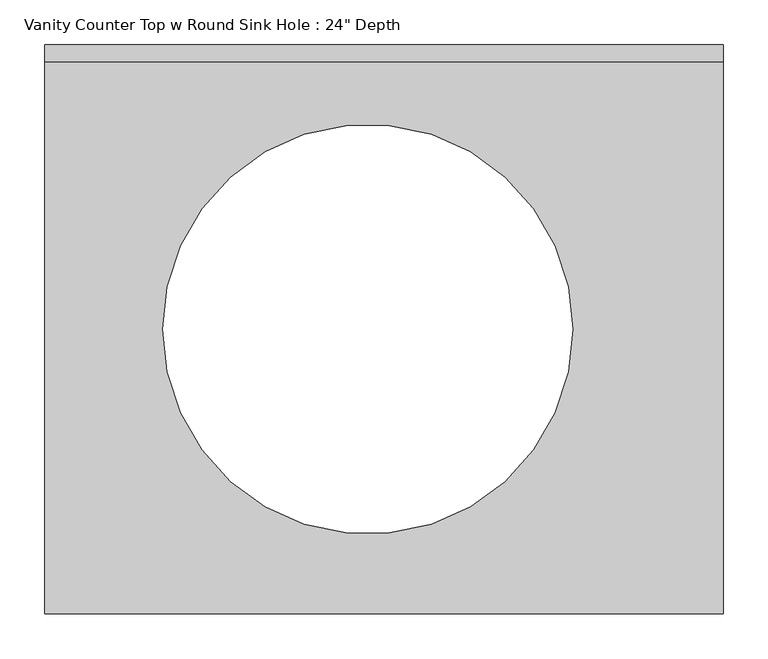
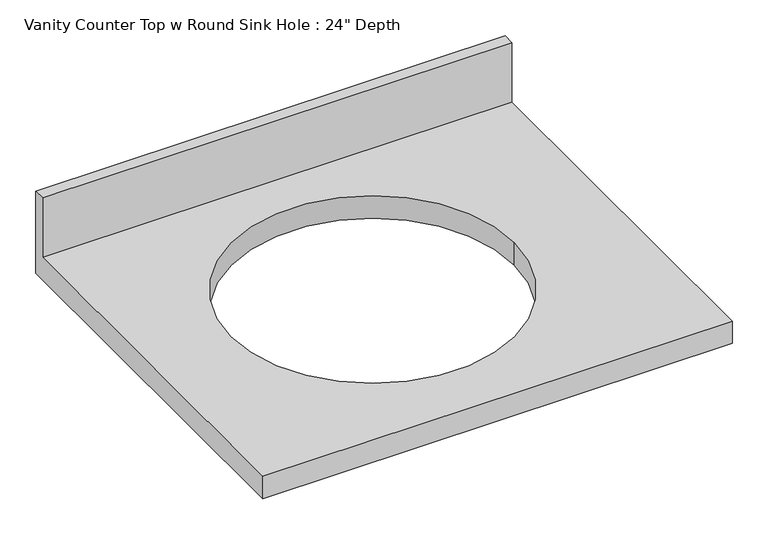
"""IFC4 building model written with IfcOpenShell, lengths in millimetres: furniture geometry."""

from ifc_helpers import new_model, si_unit, frame, origin, place, context, project, spatial, polyline, circle_curve, source, transform, mapped, element, save
from ifc_brep_helpers import plane_surface, revolved_surface, advanced_brep


def furniture_cff049bc(model_context):
    return source(origin(), model_context, "Body", "AdvancedBrep", [
        advanced_brep(
        [(-1327.4622951, -635.0, 787.4), (-570.3133002, -635.0, 787.4), (-570.3133002, -19.05, 787.4), (-1327.4622951, -19.05, 787.4), (-738.4040608, -317.5, 787.4), (-1195.6040608, -317.5, 787.4), (-570.3133002, 0.0, 749.3), (-570.3133002, -635.0, 749.3), (-1327.4622951, -635.0, 749.3), (-1327.4622951, 0.0, 749.3), (-1195.6040608, -317.5, 749.3), (-738.4040608, -317.5, 749.3), (-1327.4622951, 0.0, 889.0), (-570.3133002, 0.0, 889.0), (-1327.4622951, -19.05, 889.0), (-570.3133002, -19.05, 889.0)],
        [
            (0, 1),
            (1, 2),
            (2, 3),
            (3, 0),
            (4, 5, circle_curve(frame((-967.0040608, -317.5, 787.4), z_axis=(0.0, 0.0, -1.0), x_axis=(1.0, 0.0, 0.0)), 228.6)),
            (5, 4, circle_curve(frame((-967.0040608, -317.5, 787.4), z_axis=(0.0, 0.0, -1.0), x_axis=(1.0, 0.0, 0.0)), 228.6)),
            (6, 7),
            (7, 8),
            (8, 9),
            (9, 6),
            (10, 11, circle_curve(frame((-967.0040608, -317.5, 749.3), z_axis=(0.0, 0.0, 1.0), x_axis=(1.0, 0.0, 0.0)), 228.6)),
            (11, 10, circle_curve(frame((-967.0040608, -317.5, 749.3), z_axis=(0.0, 0.0, 1.0), x_axis=(1.0, 0.0, 0.0)), 228.6)),
            (9, 12),
            (12, 13),
            (13, 6),
            (8, 0),
            (3, 14),
            (14, 12),
            (7, 1),
            (13, 15),
            (15, 2),
            (14, 15),
            (4, 11),
            (10, 5),
        ],
        [
            plane_surface(frame((-1327.4622951, 0.0, 787.4), z_axis=(0.0, 0.0, 1.0), x_axis=(-1.0, 0.0, 0.0))),
            plane_surface(frame((-1327.4622951, 0.0, 749.3), z_axis=(0.0, 0.0, -1.0), x_axis=(1.0, 0.0, 0.0))),
            plane_surface(frame((-570.3133002, 0.0, 787.4), z_axis=(0.0, 1.0, 0.0), x_axis=(0.0, 0.0, -1.0))),
            plane_surface(frame((-1327.4622951, 0.0, 787.4), z_axis=(-1.0, 0.0, 0.0), x_axis=(0.0, 0.0, -1.0))),
            plane_surface(frame((-1327.4622951, -635.0, 787.4), z_axis=(0.0, -1.0, 0.0), x_axis=(0.0, 0.0, -1.0))),
            plane_surface(frame((-570.3133002, -635.0, 787.4), z_axis=(1.0, 0.0, 0.0), x_axis=(0.0, 0.0, -1.0))),
            plane_surface(frame((-1327.4622951, 0.0, 889.0), z_axis=(0.0, 0.0, 1.0), x_axis=(0.0, -1.0, 0.0))),
            plane_surface(frame((-1327.4622951, -19.05, 889.0), z_axis=(0.0, -1.0, 0.0), x_axis=(0.0, 0.0, -1.0))),
            revolved_surface(polyline([(-738.4040608, -317.5, 787.4), (-738.4040608, -317.5, 749.3)]), (-967.0040608, -317.5, 749.3), (0.0, 0.0, 1.0)),
        ],
        [
            (0, [[1, 2, 3, 4], [5, 6]]),
            (1, [[7, 8, 9, 10], [11, 12]]),
            (2, [[-10, 13, 14, 15]]),
            (3, [[-9, 16, -4, 17, 18, -13]]),
            (4, [[-1, -16, -8, 19]]),
            (5, [[-7, -15, 20, 21, -2, -19]]),
            (6, [[-18, 22, -20, -14]]),
            (7, [[-22, -17, -3, -21]]),
            (8, [[23, -11, 24, -5]]),
            (8, [[-23, -6, -24, -12]]),
        ],
    ),
    ])


if __name__ == "__main__":
    model = new_model("IFC4")
    model_context = context("Model", 3, world=origin())
    ifc_project = project(units=[si_unit("LENGTHUNIT", "METRE", prefix="MILLI")], contexts=[model_context])
    site = spatial("IfcSite", under=ifc_project)
    building = spatial("IfcBuilding", under=site)
    placement = place(None, origin())
    furniture_shape = furniture_cff049bc(model_context)
    element("IfcFurniture", 1, ObjectType="Vanity Counter Top w Round Sink Hole : 24\" Depth", at=placement, inside=building, context=model_context, shape_type="MappedRepresentation", body=[
        mapped(furniture_shape, transform((0.0, 0.0, 0.0), x_axis=(1.0, 0.0, 0.0), y_axis=(0.0, 1.0, 0.0), z_axis=(0.0, 0.0, 1.0))),
    ])
    save(model, "model.ifc")
